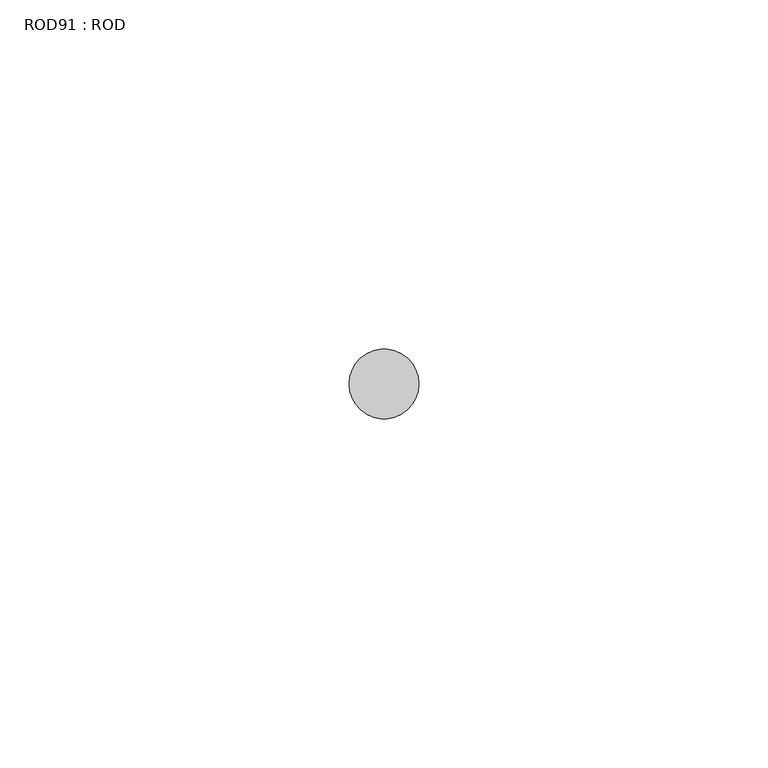
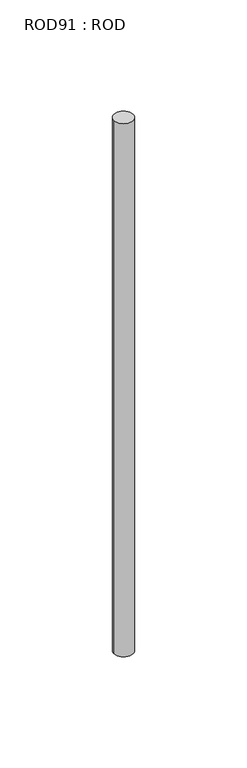
"""IFC4 building model written with IfcOpenShell, lengths in millimetres: proxy geometry, ROD91 : ROD."""

import ifcopenshell
import ifcopenshell.guid

model = None  # the IFC model being written
_history = None  # IfcOwnerHistory: only IFC2X3 demands one
_inside = {}  # id of a spatial element -> (the spatial element, [elements in it])
_under = {}  # id of a project, library or spatial element -> (it, [spatial elements below it])
_declared = {}  # id of a project -> (the project, [libraries it declares])
_typed = {}  # id of a type object -> (the type object, [elements of that type])
_made_of = {}  # id of a material, layer set ... -> (it, [elements and type objects made of it])


def new_model(schema):
    """Start an empty IFC model of exactly this schema.

    Asked for "IFC4X3", IfcOpenShell would pick the latest addendum, in which some entities
    have other attributes; the version numbers below select the first issue.
    IFC2X3 requires an IfcOwnerHistory on every rooted entity: one is made here for all.
    """
    global model, _history
    if schema == "IFC4X3":
        model = ifcopenshell.file(schema_version=(4, 3, 0, 0))
    else:
        model = ifcopenshell.file(schema=schema)
    _inside.clear()
    _under.clear()
    _declared.clear()
    _typed.clear()
    _made_of.clear()
    _history = None
    if model.schema == "IFC2X3":
        org = make("IfcOrganization", Name="unknown")
        user = make(
            "IfcPersonAndOrganization",
            ThePerson=make("IfcPerson", FamilyName="unknown"),
            TheOrganization=org,
        )
        app = make(
            "IfcApplication",
            ApplicationDeveloper=org,
            Version="unknown",
            ApplicationFullName="unknown",
            ApplicationIdentifier="unknown",
        )
        _history = make(
            "IfcOwnerHistory",
            OwningUser=user,
            OwningApplication=app,
            ChangeAction="ADDED",
            CreationDate=0,
        )
    return model


def make(cls, **values):
    """One entity of the class cls with the attributes given. An attribute that is None is left unset."""
    return model.create_entity(
        cls, **{name: value for name, value in values.items() if value is not None}
    )


def rooted(cls, **values):
    """An entity with a GlobalId (a new one), such as an element, a storey or a relation."""
    return make(cls, GlobalId=ifcopenshell.guid.new(), OwnerHistory=_history, **values)


def si_unit(unit_type, name, prefix=None):
    """IfcSIUnit, for example si_unit("LENGTHUNIT", "METRE", prefix="MILLI")."""
    return make("IfcSIUnit", UnitType=unit_type, Prefix=prefix, Name=name)


def assignment(units):
    """IfcUnitAssignment: the units of a project."""
    return None if units is None else make("IfcUnitAssignment", Units=units)


def point(xyz):
    """IfcCartesianPoint."""
    return None if xyz is None else make("IfcCartesianPoint", Coordinates=xyz)


def direction(xyz):
    """IfcDirection."""
    return None if xyz is None else make("IfcDirection", DirectionRatios=xyz)


def frame(location, z_axis=None, x_axis=None):
    """IfcAxis2Placement3D, a coordinate frame: its origin and axes. An axis left out is left unset."""
    return make(
        "IfcAxis2Placement3D",
        Location=point(location),
        Axis=direction(z_axis),
        RefDirection=direction(x_axis),
    )


def frame_2d(location, x_axis=None):
    """IfcAxis2Placement2D, a coordinate frame in the plane: its origin and x axis."""
    return make(
        "IfcAxis2Placement2D", Location=point(location), RefDirection=direction(x_axis)
    )


def origin():
    """The frame at (0, 0, 0) with its axes left unset."""
    return frame((0.0, 0.0, 0.0))


def place(relative_to, where):
    """IfcLocalPlacement: puts the frame where relative to a parent placement (None: the world)."""
    return make(
        "IfcLocalPlacement", PlacementRelTo=relative_to, RelativePlacement=where
    )


def context(
    kind, dimensions, precision=None, world=None, true_north=None, identifier=None
):
    """IfcGeometricRepresentationContext, for example the 3D "Model" context."""
    return make(
        "IfcGeometricRepresentationContext",
        ContextIdentifier=identifier,
        ContextType=kind,
        CoordinateSpaceDimension=dimensions,
        Precision=precision,
        WorldCoordinateSystem=world,
        TrueNorth=true_north,
    )


def project(units=None, contexts=None):
    """IfcProject with its units and contexts."""
    return rooted(
        "IfcProject",
        Name="project",
        RepresentationContexts=contexts,
        UnitsInContext=assignment(units),
    )


def spatial(cls, under=None, at=None, **own):
    """A site, building, storey or space (cls), placed at a placement, below another one or the project."""
    s = rooted(cls, ObjectPlacement=at, **own)
    if under is not None:
        _under.setdefault(under.id(), (under, []))[1].append(s)
    return s


def circle_curve(where, radius):
    """IfcCircle in the frame where."""
    return make("IfcCircle", Position=where, Radius=radius)


def trimmed(basis, trim1, trim2, sense, master):
    """IfcTrimmedCurve: the piece of a basis curve between two trims."""
    return make(
        "IfcTrimmedCurve",
        BasisCurve=basis,
        Trim1=trim1,
        Trim2=trim2,
        SenseAgreement=sense,
        MasterRepresentation=master,
    )


def segment(curve, same_sense, transition):
    """IfcCompositeCurveSegment."""
    return make(
        "IfcCompositeCurveSegment",
        Transition=transition,
        SameSense=same_sense,
        ParentCurve=curve,
    )


def composite_curve(segments, self_intersect=None):
    """IfcCompositeCurve: segments joined end to end."""
    return make("IfcCompositeCurve", Segments=segments, SelfIntersect=self_intersect)


def outline(outer, holes=None, kind="AREA"):
    """IfcArbitraryClosedProfileDef: a profile drawn as a closed curve; with holes, ...WithVoids."""
    if holes is None:
        return make("IfcArbitraryClosedProfileDef", ProfileType=kind, OuterCurve=outer)
    return make(
        "IfcArbitraryProfileDefWithVoids",
        ProfileType=kind,
        OuterCurve=outer,
        InnerCurves=holes,
    )


def extrude(swept, where, along, depth):
    """IfcExtrudedAreaSolid: the profile swept, set in the frame where, extruded along a direction by depth."""
    return make(
        "IfcExtrudedAreaSolid",
        SweptArea=swept,
        Position=where,
        ExtrudedDirection=direction(along),
        Depth=depth,
    )


def shape(context_of_items, identifier, shape_type, items):
    """IfcShapeRepresentation: the items that make up one representation, for example the "Body"."""
    return make(
        "IfcShapeRepresentation",
        ContextOfItems=context_of_items,
        RepresentationIdentifier=identifier,
        RepresentationType=shape_type,
        Items=items,
    )


def source(mapping_origin, context_of_items, identifier, shape_type, items):
    """IfcRepresentationMap: a shape defined once, which mapped items show again and again."""
    return make(
        "IfcRepresentationMap",
        MappingOrigin=mapping_origin,
        MappedRepresentation=shape(context_of_items, identifier, shape_type, items),
    )


def transform(
    local_origin,
    x_axis=None,
    y_axis=None,
    z_axis=None,
    scale=None,
    scale2=None,
    scale3=None,
    uniform=True,
):
    """IfcCartesianTransformationOperator3D, or its non-uniform kind. x_axis, y_axis, z_axis: its Axis1, 2, 3."""
    if uniform:
        return make(
            "IfcCartesianTransformationOperator3D",
            Axis1=direction(x_axis),
            Axis2=direction(y_axis),
            LocalOrigin=point(local_origin),
            Scale=scale,
            Axis3=direction(z_axis),
        )
    return make(
        "IfcCartesianTransformationOperator3DnonUniform",
        Axis1=direction(x_axis),
        Axis2=direction(y_axis),
        LocalOrigin=point(local_origin),
        Scale=scale,
        Axis3=direction(z_axis),
        Scale2=scale2,
        Scale3=scale3,
    )


def mapped(mapping_source, mapping_target):
    """IfcMappedItem: shows the shape of a source again, moved by a transform."""
    return make(
        "IfcMappedItem", MappingSource=mapping_source, MappingTarget=mapping_target
    )


def made_of(thing, what):
    """Note that an element or type object is made of a material, layer set ...; save() writes the relation."""
    if what is not None:
        _made_of.setdefault(what.id(), (what, []))[1].append(thing)
    return thing


def element(
    cls,
    number,
    at=None,
    inside=None,
    cuts=None,
    type_object=None,
    material=None,
    context=None,
    identifier="Body",
    shape_type=None,
    held_by="IfcProductDefinitionShape",
    body=None,
    shapes=None,
    **own,
):
    """One element of the class cls, such as IfcWall. Its Tag is "e" and its number.

    at: its placement. inside: the storey or other place that contains it. cuts: it is an
    opening in that element (IfcRelVoidsElement). A single representation is given by context,
    identifier, shape_type and body (its items); several are given by shapes. held_by: the class
    of the entity that holds the representations. save() writes the other relations.
    """
    e = rooted(cls, Tag="e%d" % number, ObjectPlacement=at, **own)
    if body is not None:
        shapes = [shape(context, identifier, shape_type, body)]
    if shapes is not None:
        e.Representation = make(held_by, Representations=shapes)
    if inside is not None:
        _inside.setdefault(inside.id(), (inside, []))[1].append(e)
    if cuts is not None:
        rooted(
            "IfcRelVoidsElement", RelatingBuildingElement=cuts, RelatedOpeningElement=e
        )
    if type_object is not None:
        _typed.setdefault(type_object.id(), (type_object, []))[1].append(e)
    return made_of(e, material)


def aggregate(whole, parts):
    """IfcRelAggregates: a whole, such as a stair, and the parts it consists of."""
    return rooted("IfcRelAggregates", RelatingObject=whole, RelatedObjects=parts)


def save(model, path):
    """Write the relations noted so far, then the file.

    IfcRelAggregates (storeys below a building ...), IfcRelContainedInSpatialStructure (elements
    in a storey), IfcRelDefinesByType, IfcRelAssociatesMaterial and IfcRelDeclares: one each for
    every whole, place, type object, material and project.
    """
    for whole, parts in _under.values():
        aggregate(whole, parts)
    for where, things in _inside.values():
        rooted(
            "IfcRelContainedInSpatialStructure",
            RelatedElements=things,
            RelatingStructure=where,
        )
    for kind, things in _typed.values():
        rooted("IfcRelDefinesByType", RelatedObjects=things, RelatingType=kind)
    for what, things in _made_of.values():
        rooted("IfcRelAssociatesMaterial", RelatedObjects=things, RelatingMaterial=what)
    for by, libraries in _declared.values():
        rooted("IfcRelDeclares", RelatingContext=by, RelatedDefinitions=libraries)
    model.write(path)


def rod91_rod_bc8b43ad(model_context):
    return source(origin(), model_context, "Body", "SweptSolid", [
        extrude(outline(composite_curve([segment(trimmed(circle_curve(frame_2d((-5007.2215616, -12414.6300853)), 5.0), [point((-5012.2215616, -12414.6300853))], [point((-5002.2215616, -12414.6300853))], False, "CARTESIAN"), True, "CONTINUOUS"), segment(trimmed(circle_curve(frame_2d((-5007.2215616, -12414.6300853)), 5.0), [point((-5002.2215616, -12414.6300853))], [point((-5012.2215616, -12414.6300853))], False, "CARTESIAN"), True, "CONTINUOUS")], self_intersect=False)), frame((0.0, 0.0, -208.6608845), z_axis=(0.0, 0.0, 1.0), x_axis=(1.0, 0.0, 0.0)), (0.0, 0.0, 1.0), 298.9028972),
    ])


if __name__ == "__main__":
    model = new_model("IFC4")
    model_context = context("Model", 3, world=origin())
    ifc_project = project(units=[si_unit("LENGTHUNIT", "METRE", prefix="MILLI")], contexts=[model_context])
    site = spatial("IfcSite", under=ifc_project)
    building = spatial("IfcBuilding", under=site)
    placement = place(None, origin())
    rod91_rod_shape = rod91_rod_bc8b43ad(model_context)
    element("IfcBuildingElementProxy", 1, Name="ROD91 : ROD", ObjectType="ROD91 : ROD", at=placement, inside=building, context=model_context, shape_type="MappedRepresentation", body=[
        mapped(rod91_rod_shape, transform((0.0, 0.0, 0.0), x_axis=(1.0, 0.0, 0.0), y_axis=(0.0, 1.0, 0.0), z_axis=(0.0, 0.0, 1.0))),
    ])
    save(model, "model.ifc")
